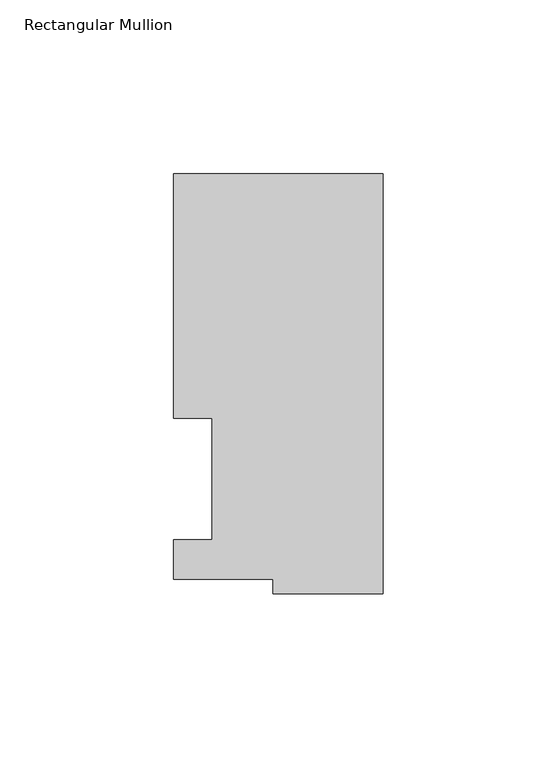
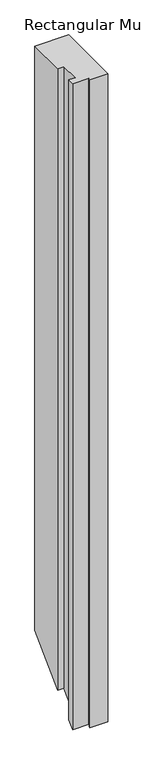
"""IFC4 building model written with IfcOpenShell, lengths in millimetres: member geometry, Rectangular Mullion."""

from ifc_helpers import new_model, si_unit, origin, place, context, project, spatial, faceted_brep, source, transform, mapped, element, save


def rectangular_mullion_f118bf90(model_context):
    return source(origin(), model_context, "Body", "Brep", [
        faceted_brep([(-60.325, 117.4859878, 0.0), (-60.325, 47.0517878, 0.0), (-49.2252, 47.0517878, 0.0), (-49.2252, 12.1267878, 0.0), (-60.325, 12.1267878, 0.0), (-60.325, 0.7221701, 0.0), (-31.75, 0.7221701, 0.0), (-31.75, -3.3164122, 0.0), (0.0, -3.3164122, 0.0), (0.0, 117.4859878, 0.0), (-60.325, 117.4859878, -1104.9851807), (-60.325, 47.0517878, -1175.4193807), (-49.2252, 47.0517878, -1175.4193807), (-49.2252, 12.1267878, -1210.3443807), (-60.325, 12.1267878, -1210.3443807), (-60.325, 0.7221701, -1221.7489984), (-31.75, 0.7221701, -1221.7489984), (-31.75, -3.3164122, -1225.7875807), (0.0, -3.3164122, -1225.7875807), (0.0, 117.4859878, -1104.9851807)], [[[0, 1, 2, 3, 4, 5, 6, 7, 8, 9]], [[1, 0, 10, 11]], [[2, 1, 11, 12]], [[3, 2, 12, 13]], [[4, 3, 13, 14]], [[5, 4, 14, 15]], [[6, 5, 15, 16]], [[7, 6, 16, 17]], [[8, 7, 17, 18]], [[9, 8, 18, 19]], [[0, 9, 19, 10]], [[10, 19, 18, 17, 16, 15, 14, 13, 12, 11]]]),
    ])


if __name__ == "__main__":
    model = new_model("IFC4")
    model_context = context("Model", 3, world=origin())
    ifc_project = project(units=[si_unit("LENGTHUNIT", "METRE", prefix="MILLI")], contexts=[model_context])
    site = spatial("IfcSite", under=ifc_project)
    building = spatial("IfcBuilding", under=site)
    placement = place(None, origin())
    rectangular_mullion_shape = rectangular_mullion_f118bf90(model_context)
    element("IfcMember", 1, ObjectType="Rectangular Mullion", at=placement, inside=building, context=model_context, shape_type="MappedRepresentation", body=[
        mapped(rectangular_mullion_shape, transform((0.0, 0.0, 0.0), x_axis=(1.0, 0.0, 0.0), y_axis=(0.0, 1.0, 0.0), z_axis=(0.0, 0.0, 1.0))),
    ])
    save(model, "model.ifc")
